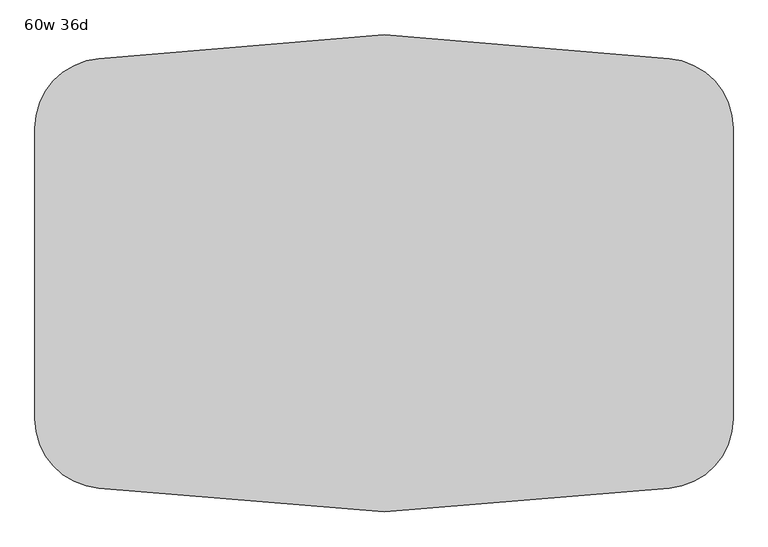
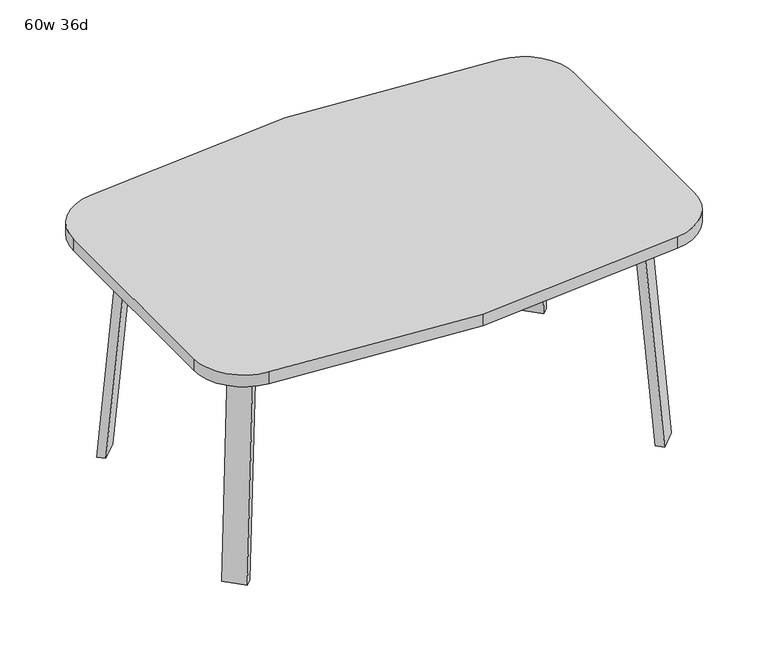
"""IFC4 building model written with IfcOpenShell, lengths in millimetres: furniture geometry, 60w 36d."""

import ifcopenshell
import ifcopenshell.guid

model = None  # the IFC model being written
_history = None  # IfcOwnerHistory: only IFC2X3 demands one
_inside = {}  # id of a spatial element -> (the spatial element, [elements in it])
_under = {}  # id of a project, library or spatial element -> (it, [spatial elements below it])
_declared = {}  # id of a project -> (the project, [libraries it declares])
_typed = {}  # id of a type object -> (the type object, [elements of that type])
_made_of = {}  # id of a material, layer set ... -> (it, [elements and type objects made of it])


def new_model(schema):
    """Start an empty IFC model of exactly this schema.

    Asked for "IFC4X3", IfcOpenShell would pick the latest addendum, in which some entities
    have other attributes; the version numbers below select the first issue.
    IFC2X3 requires an IfcOwnerHistory on every rooted entity: one is made here for all.
    """
    global model, _history
    if schema == "IFC4X3":
        model = ifcopenshell.file(schema_version=(4, 3, 0, 0))
    else:
        model = ifcopenshell.file(schema=schema)
    _inside.clear()
    _under.clear()
    _declared.clear()
    _typed.clear()
    _made_of.clear()
    _history = None
    if model.schema == "IFC2X3":
        org = make("IfcOrganization", Name="unknown")
        user = make(
            "IfcPersonAndOrganization",
            ThePerson=make("IfcPerson", FamilyName="unknown"),
            TheOrganization=org,
        )
        app = make(
            "IfcApplication",
            ApplicationDeveloper=org,
            Version="unknown",
            ApplicationFullName="unknown",
            ApplicationIdentifier="unknown",
        )
        _history = make(
            "IfcOwnerHistory",
            OwningUser=user,
            OwningApplication=app,
            ChangeAction="ADDED",
            CreationDate=0,
        )
    return model


def make(cls, **values):
    """One entity of the class cls with the attributes given. An attribute that is None is left unset."""
    return model.create_entity(
        cls, **{name: value for name, value in values.items() if value is not None}
    )


def rooted(cls, **values):
    """An entity with a GlobalId (a new one), such as an element, a storey or a relation."""
    return make(cls, GlobalId=ifcopenshell.guid.new(), OwnerHistory=_history, **values)


def si_unit(unit_type, name, prefix=None):
    """IfcSIUnit, for example si_unit("LENGTHUNIT", "METRE", prefix="MILLI")."""
    return make("IfcSIUnit", UnitType=unit_type, Prefix=prefix, Name=name)


def assignment(units):
    """IfcUnitAssignment: the units of a project."""
    return None if units is None else make("IfcUnitAssignment", Units=units)


def point(xyz):
    """IfcCartesianPoint."""
    return None if xyz is None else make("IfcCartesianPoint", Coordinates=xyz)


def direction(xyz):
    """IfcDirection."""
    return None if xyz is None else make("IfcDirection", DirectionRatios=xyz)


def frame(location, z_axis=None, x_axis=None):
    """IfcAxis2Placement3D, a coordinate frame: its origin and axes. An axis left out is left unset."""
    return make(
        "IfcAxis2Placement3D",
        Location=point(location),
        Axis=direction(z_axis),
        RefDirection=direction(x_axis),
    )


def frame_2d(location, x_axis=None):
    """IfcAxis2Placement2D, a coordinate frame in the plane: its origin and x axis."""
    return make(
        "IfcAxis2Placement2D", Location=point(location), RefDirection=direction(x_axis)
    )


def origin():
    """The frame at (0, 0, 0) with its axes left unset."""
    return frame((0.0, 0.0, 0.0))


def place(relative_to, where):
    """IfcLocalPlacement: puts the frame where relative to a parent placement (None: the world)."""
    return make(
        "IfcLocalPlacement", PlacementRelTo=relative_to, RelativePlacement=where
    )


def context(
    kind, dimensions, precision=None, world=None, true_north=None, identifier=None
):
    """IfcGeometricRepresentationContext, for example the 3D "Model" context."""
    return make(
        "IfcGeometricRepresentationContext",
        ContextIdentifier=identifier,
        ContextType=kind,
        CoordinateSpaceDimension=dimensions,
        Precision=precision,
        WorldCoordinateSystem=world,
        TrueNorth=true_north,
    )


def project(units=None, contexts=None):
    """IfcProject with its units and contexts."""
    return rooted(
        "IfcProject",
        Name="project",
        RepresentationContexts=contexts,
        UnitsInContext=assignment(units),
    )


def spatial(cls, under=None, at=None, **own):
    """A site, building, storey or space (cls), placed at a placement, below another one or the project."""
    s = rooted(cls, ObjectPlacement=at, **own)
    if under is not None:
        _under.setdefault(under.id(), (under, []))[1].append(s)
    return s


def polyline(points):
    """IfcPolyline through the points."""
    return make("IfcPolyline", Points=[point(p) for p in points])


def circle_curve(where, radius):
    """IfcCircle in the frame where."""
    return make("IfcCircle", Position=where, Radius=radius)


def trimmed(basis, trim1, trim2, sense, master):
    """IfcTrimmedCurve: the piece of a basis curve between two trims."""
    return make(
        "IfcTrimmedCurve",
        BasisCurve=basis,
        Trim1=trim1,
        Trim2=trim2,
        SenseAgreement=sense,
        MasterRepresentation=master,
    )


def segment(curve, same_sense, transition):
    """IfcCompositeCurveSegment."""
    return make(
        "IfcCompositeCurveSegment",
        Transition=transition,
        SameSense=same_sense,
        ParentCurve=curve,
    )


def composite_curve(segments, self_intersect=None):
    """IfcCompositeCurve: segments joined end to end."""
    return make("IfcCompositeCurve", Segments=segments, SelfIntersect=self_intersect)


def outline(outer, holes=None, kind="AREA"):
    """IfcArbitraryClosedProfileDef: a profile drawn as a closed curve; with holes, ...WithVoids."""
    if holes is None:
        return make("IfcArbitraryClosedProfileDef", ProfileType=kind, OuterCurve=outer)
    return make(
        "IfcArbitraryProfileDefWithVoids",
        ProfileType=kind,
        OuterCurve=outer,
        InnerCurves=holes,
    )


def extrude(swept, where, along, depth):
    """IfcExtrudedAreaSolid: the profile swept, set in the frame where, extruded along a direction by depth."""
    return make(
        "IfcExtrudedAreaSolid",
        SweptArea=swept,
        Position=where,
        ExtrudedDirection=direction(along),
        Depth=depth,
    )


def faces_of(points, faces, orient=None, outer=None):
    """IfcFace entities. A face is a list of loops; a loop is a list of indices into points, from 0.

    orient and outer hold one flag for each loop. By default every Orientation is true, the
    first loop of a face is its IfcFaceOuterBound and the others are IfcFaceBound.
    """
    made = []
    for i, loops in enumerate(faces):
        bounds = []
        for j, loop in enumerate(loops):
            is_outer = j == 0 if outer is None else outer[i][j]
            bounds.append(
                make(
                    "IfcFaceOuterBound" if is_outer else "IfcFaceBound",
                    Bound=make("IfcPolyLoop", Polygon=[points[k] for k in loop]),
                    Orientation=True if orient is None else orient[i][j],
                )
            )
        made.append(make("IfcFace", Bounds=bounds))
    return made


def faceted_brep(points, faces, orient=None, outer=None, voids=None):
    """IfcFacetedBrep: a solid bounded by flat faces; with voids (closed shells), ...WithVoids."""
    shared = [point(p) for p in points]
    hull = make("IfcClosedShell", CfsFaces=faces_of(shared, faces, orient, outer))
    if voids is None:
        return make("IfcFacetedBrep", Outer=hull)
    return make(
        "IfcFacetedBrepWithVoids",
        Outer=hull,
        Voids=[
            make(cls, CfsFaces=faces_of(shared, fs, o, b)) for cls, fs, o, b in voids
        ],
    )


def shape(context_of_items, identifier, shape_type, items):
    """IfcShapeRepresentation: the items that make up one representation, for example the "Body"."""
    return make(
        "IfcShapeRepresentation",
        ContextOfItems=context_of_items,
        RepresentationIdentifier=identifier,
        RepresentationType=shape_type,
        Items=items,
    )


def source(mapping_origin, context_of_items, identifier, shape_type, items):
    """IfcRepresentationMap: a shape defined once, which mapped items show again and again."""
    return make(
        "IfcRepresentationMap",
        MappingOrigin=mapping_origin,
        MappedRepresentation=shape(context_of_items, identifier, shape_type, items),
    )


def transform(
    local_origin,
    x_axis=None,
    y_axis=None,
    z_axis=None,
    scale=None,
    scale2=None,
    scale3=None,
    uniform=True,
):
    """IfcCartesianTransformationOperator3D, or its non-uniform kind. x_axis, y_axis, z_axis: its Axis1, 2, 3."""
    if uniform:
        return make(
            "IfcCartesianTransformationOperator3D",
            Axis1=direction(x_axis),
            Axis2=direction(y_axis),
            LocalOrigin=point(local_origin),
            Scale=scale,
            Axis3=direction(z_axis),
        )
    return make(
        "IfcCartesianTransformationOperator3DnonUniform",
        Axis1=direction(x_axis),
        Axis2=direction(y_axis),
        LocalOrigin=point(local_origin),
        Scale=scale,
        Axis3=direction(z_axis),
        Scale2=scale2,
        Scale3=scale3,
    )


def mapped(mapping_source, mapping_target):
    """IfcMappedItem: shows the shape of a source again, moved by a transform."""
    return make(
        "IfcMappedItem", MappingSource=mapping_source, MappingTarget=mapping_target
    )


def made_of(thing, what):
    """Note that an element or type object is made of a material, layer set ...; save() writes the relation."""
    if what is not None:
        _made_of.setdefault(what.id(), (what, []))[1].append(thing)
    return thing


def element(
    cls,
    number,
    at=None,
    inside=None,
    cuts=None,
    type_object=None,
    material=None,
    context=None,
    identifier="Body",
    shape_type=None,
    held_by="IfcProductDefinitionShape",
    body=None,
    shapes=None,
    **own,
):
    """One element of the class cls, such as IfcWall. Its Tag is "e" and its number.

    at: its placement. inside: the storey or other place that contains it. cuts: it is an
    opening in that element (IfcRelVoidsElement). A single representation is given by context,
    identifier, shape_type and body (its items); several are given by shapes. held_by: the class
    of the entity that holds the representations. save() writes the other relations.
    """
    e = rooted(cls, Tag="e%d" % number, ObjectPlacement=at, **own)
    if body is not None:
        shapes = [shape(context, identifier, shape_type, body)]
    if shapes is not None:
        e.Representation = make(held_by, Representations=shapes)
    if inside is not None:
        _inside.setdefault(inside.id(), (inside, []))[1].append(e)
    if cuts is not None:
        rooted(
            "IfcRelVoidsElement", RelatingBuildingElement=cuts, RelatedOpeningElement=e
        )
    if type_object is not None:
        _typed.setdefault(type_object.id(), (type_object, []))[1].append(e)
    return made_of(e, material)


def aggregate(whole, parts):
    """IfcRelAggregates: a whole, such as a stair, and the parts it consists of."""
    return rooted("IfcRelAggregates", RelatingObject=whole, RelatedObjects=parts)


def save(model, path):
    """Write the relations noted so far, then the file.

    IfcRelAggregates (storeys below a building ...), IfcRelContainedInSpatialStructure (elements
    in a storey), IfcRelDefinesByType, IfcRelAssociatesMaterial and IfcRelDeclares: one each for
    every whole, place, type object, material and project.
    """
    for whole, parts in _under.values():
        aggregate(whole, parts)
    for where, things in _inside.values():
        rooted(
            "IfcRelContainedInSpatialStructure",
            RelatedElements=things,
            RelatingStructure=where,
        )
    for kind, things in _typed.values():
        rooted("IfcRelDefinesByType", RelatedObjects=things, RelatingType=kind)
    for what, things in _made_of.values():
        rooted("IfcRelAssociatesMaterial", RelatedObjects=things, RelatingMaterial=what)
    for by, libraries in _declared.values():
        rooted("IfcRelDeclares", RelatingContext=by, RelatedDefinitions=libraries)
    model.write(path)


def furniture_60w_36d_6ef6b0ce(model_context):
    return source(origin(), model_context, "Body", "SolidModel", [
        faceted_brep([(453.8753042, -274.0920519, 695.325), (493.3884312, -234.578925, 695.325), (548.5047531, -289.6952469, 695.325), (541.8631053, -296.3368947, 695.325), (480.8160726, -301.0328203, 695.325), (601.1368947, -237.0631053, 695.325), (595.2020849, -242.9979151, 695.325), (540.085763, -187.8815931, 695.325), (579.5988899, -148.3684662, 695.325), (606.5396583, -175.3092346, 695.325), (453.8753042, -274.0920519, 698.5), (480.8160726, -301.0328203, 698.5), (541.8631053, -296.3368947, 698.5), (601.1368947, -237.0631053, 698.5), (606.5396583, -175.3092346, 698.5), (579.5988899, -148.3684662, 698.5), (548.5047531, -289.6952469, 673.1), (595.2020849, -242.9979151, 673.1), (503.6034725, -244.7939663, 673.1), (550.3008043, -198.0966345, 673.1)], [[[0, 1, 2, 3, 4]], [[5, 6, 7, 8, 9]], [[10, 11, 12, 13, 14, 15]], [[4, 11, 10, 0]], [[3, 12, 11, 4]], [[12, 3, 2, 16, 17, 6, 5, 13]], [[9, 14, 13, 5]], [[8, 15, 14, 9]], [[15, 8, 7, 1, 0, 10]], [[2, 1, 18, 16]], [[7, 6, 17, 19]], [[18, 19, 17, 16]], [[1, 7, 19, 18]]]),
        extrude(outline(composite_curve([segment(polyline([(-698.9257667, 0.0), (-704.4601563, 63.2583633), (-679.156811, 65.4721192), (-677.172355, 42.7896831)]), True, "CONTINUOUS"), segment(trimmed(circle_curve(frame_2d((-658.194846, 44.45)), 19.05), [point((-677.172355, 42.7896831))], [point((-658.194846, 25.4))], True, "CARTESIAN"), True, "CONTINUOUS"), segment(polyline([(-658.194846, 25.4), (0.0201778, 25.4), (2.2423899, 0.0), (-698.9257667, 0.0)]), True, "CONTINUOUS")], self_intersect=False)), frame((634.7792647, -379.3706733, 2.2338569), z_axis=(0.7071067811865512, 0.707106781186544, 0.0), x_axis=(0.06162841671622733, -0.06162841671621349, -0.9961946980917454)), (0.0, 0.0, 1.0), 69.85),
        faceted_brep([(453.8753042, 274.0920519, 695.325), (480.8160726, 301.0328203, 695.325), (541.8631053, 296.3368947, 695.325), (548.5047531, 289.6952469, 695.325), (493.3884312, 234.578925, 695.325), (601.1368947, 237.0631053, 695.325), (606.5396583, 175.3092346, 695.325), (579.5988899, 148.3684662, 695.325), (540.085763, 187.8815931, 695.325), (595.2020849, 242.9979151, 695.325), (453.8753042, 274.0920519, 698.5), (579.5988899, 148.3684662, 698.5), (606.5396583, 175.3092346, 698.5), (601.1368947, 237.0631053, 698.5), (541.8631053, 296.3368947, 698.5), (480.8160726, 301.0328203, 698.5), (595.2020849, 242.9979151, 673.1), (548.5047531, 289.6952469, 673.1), (503.6034725, 244.7939663, 673.1), (550.3008043, 198.0966345, 673.1)], [[[0, 1, 2, 3, 4]], [[5, 6, 7, 8, 9]], [[10, 11, 12, 13, 14, 15]], [[1, 0, 10, 15]], [[2, 1, 15, 14]], [[14, 13, 5, 9, 16, 17, 3, 2]], [[6, 5, 13, 12]], [[7, 6, 12, 11]], [[11, 10, 0, 4, 8, 7]], [[3, 17, 18, 4]], [[8, 19, 16, 9]], [[18, 17, 16, 19]], [[4, 18, 19, 8]]]),
        extrude(outline(composite_curve([segment(polyline([(698.9257667, 0.0), (704.4601563, -63.2583633), (679.156811, -65.4721192), (677.172355, -42.7896831)]), True, "CONTINUOUS"), segment(trimmed(circle_curve(frame_2d((658.194846, -44.45)), 19.05), [point((677.172355, -42.7896831))], [point((658.194846, -25.4))], True, "CARTESIAN"), True, "CONTINUOUS"), segment(polyline([(658.194846, -25.4), (-0.0201778, -25.4), (-2.2423899, 0.0), (698.9257667, 0.0)]), True, "CONTINUOUS")], self_intersect=False)), frame((684.1706733, 329.9792647, 2.2338569), z_axis=(-0.7071067811865512, 0.707106781186544, 0.0), x_axis=(-0.06162841671622733, -0.06162841671621349, 0.9961946980917454)), (0.0, 0.0, 1.0), 69.85),
        faceted_brep([(-453.8753042, 274.0920519, 695.325), (-493.3884312, 234.578925, 695.325), (-548.5047531, 289.6952469, 695.325), (-541.8631053, 296.3368947, 695.325), (-480.8160726, 301.0328203, 695.325), (-601.1368947, 237.0631053, 695.325), (-595.2020849, 242.9979151, 695.325), (-540.085763, 187.8815931, 695.325), (-579.5988899, 148.3684662, 695.325), (-606.5396583, 175.3092346, 695.325), (-453.8753042, 274.0920519, 698.5), (-480.8160726, 301.0328203, 698.5), (-541.8631053, 296.3368947, 698.5), (-601.1368947, 237.0631053, 698.5), (-606.5396583, 175.3092346, 698.5), (-579.5988899, 148.3684662, 698.5), (-548.5047531, 289.6952469, 673.1), (-595.2020849, 242.9979151, 673.1), (-503.6034725, 244.7939663, 673.1), (-550.3008043, 198.0966345, 673.1)], [[[0, 1, 2, 3, 4]], [[5, 6, 7, 8, 9]], [[10, 11, 12, 13, 14, 15]], [[4, 11, 10, 0]], [[3, 12, 11, 4]], [[12, 3, 2, 16, 17, 6, 5, 13]], [[9, 14, 13, 5]], [[8, 15, 14, 9]], [[15, 8, 7, 1, 0, 10]], [[2, 1, 18, 16]], [[7, 6, 17, 19]], [[18, 19, 17, 16]], [[1, 7, 19, 18]]]),
        extrude(outline(composite_curve([segment(polyline([(698.9257667, 0.0), (-2.2423899, 0.0), (-0.0201778, 25.4), (658.194846, 25.4)]), True, "CONTINUOUS"), segment(trimmed(circle_curve(frame_2d((658.194846, 44.45)), 19.05), [point((658.194846, 25.4))], [point((677.172355, 42.7896831))], True, "CARTESIAN"), True, "CONTINUOUS"), segment(polyline([(677.172355, 42.7896831), (679.156811, 65.4721192), (704.4601563, 63.2583633), (698.9257667, 0.0)]), True, "CONTINUOUS")], self_intersect=False)), frame((-684.1706733, 329.9792647, 2.2338569), z_axis=(0.7071067811865512, 0.707106781186544, 0.0), x_axis=(0.06162841671622733, -0.06162841671621349, 0.9961946980917454)), (0.0, 0.0, 1.0), 69.85),
        faceted_brep([(-453.8753042, -274.0920519, 695.325), (-480.8160726, -301.0328203, 695.325), (-541.8631053, -296.3368947, 695.325), (-548.5047531, -289.6952469, 695.325), (-493.3884312, -234.578925, 695.325), (-601.1368947, -237.0631053, 695.325), (-606.5396583, -175.3092346, 695.325), (-579.5988899, -148.3684662, 695.325), (-540.085763, -187.8815931, 695.325), (-595.2020849, -242.9979151, 695.325), (-453.8753042, -274.0920519, 698.5), (-579.5988899, -148.3684662, 698.5), (-606.5396583, -175.3092346, 698.5), (-601.1368947, -237.0631053, 698.5), (-541.8631053, -296.3368947, 698.5), (-480.8160726, -301.0328203, 698.5), (-595.2020849, -242.9979151, 673.1), (-548.5047531, -289.6952469, 673.1), (-503.6034725, -244.7939663, 673.1), (-550.3008043, -198.0966345, 673.1)], [[[0, 1, 2, 3, 4]], [[5, 6, 7, 8, 9]], [[10, 11, 12, 13, 14, 15]], [[1, 0, 10, 15]], [[2, 1, 15, 14]], [[14, 13, 5, 9, 16, 17, 3, 2]], [[6, 5, 13, 12]], [[7, 6, 12, 11]], [[11, 10, 0, 4, 8, 7]], [[3, 17, 18, 4]], [[8, 19, 16, 9]], [[18, 17, 16, 19]], [[4, 18, 19, 8]]]),
        extrude(outline(composite_curve([segment(polyline([(-698.9257667, 0.0), (2.2423899, 0.0), (0.0201778, -25.4), (-658.194846, -25.4)]), True, "CONTINUOUS"), segment(trimmed(circle_curve(frame_2d((-658.194846, -44.45)), 19.05), [point((-658.194846, -25.4))], [point((-677.172355, -42.7896831))], True, "CARTESIAN"), True, "CONTINUOUS"), segment(polyline([(-677.172355, -42.7896831), (-679.156811, -65.4721192), (-704.4601563, -63.2583633), (-698.9257667, 0.0)]), True, "CONTINUOUS")], self_intersect=False)), frame((-634.7792647, -379.3706733, 2.2338569), z_axis=(-0.7071067811865512, 0.707106781186544, 0.0), x_axis=(-0.06162841671622733, -0.06162841671621349, -0.9961946980917454)), (0.0, 0.0, 1.0), 69.85),
        extrude(outline(composite_curve([segment(trimmed(circle_curve(frame_2d((-609.6, 316.9717488)), 152.4), [point((-762.0, 316.9717488))], [point((-622.2561311, 468.8453224))], False, "CARTESIAN"), True, "CONTINUOUS"), segment(polyline([(-622.2561311, 468.8453224), (0.0, 520.7), (622.2561311, 468.8453224)]), True, "CONTINUOUS"), segment(trimmed(circle_curve(frame_2d((609.6, 316.9717488)), 152.4), [point((622.2561311, 468.8453224))], [point((762.0, 316.9717488))], False, "CARTESIAN"), True, "CONTINUOUS"), segment(polyline([(762.0, 316.9717488), (762.0, -316.9717488)]), True, "CONTINUOUS"), segment(trimmed(circle_curve(frame_2d((609.6, -316.9717488)), 152.4), [point((762.0, -316.9717488))], [point((622.2561311, -468.8453224))], False, "CARTESIAN"), True, "CONTINUOUS"), segment(polyline([(622.2561311, -468.8453224), (0.0, -520.7), (-622.2561311, -468.8453224)]), True, "CONTINUOUS"), segment(trimmed(circle_curve(frame_2d((-609.6, -316.9717488)), 152.4), [point((-622.2561311, -468.8453224))], [point((-762.0, -316.9717488))], False, "CARTESIAN"), True, "CONTINUOUS"), segment(polyline([(-762.0, -316.9717488), (-762.0, 316.9717488)]), True, "CONTINUOUS")], self_intersect=False)), frame((0.0, 0.0, 698.5), z_axis=(0.0, 0.0, 1.0), x_axis=(1.0, 0.0, 0.0)), (0.0, 0.0, 1.0), 38.1),
    ])


if __name__ == "__main__":
    model = new_model("IFC4")
    model_context = context("Model", 3, world=origin())
    ifc_project = project(units=[si_unit("LENGTHUNIT", "METRE", prefix="MILLI")], contexts=[model_context])
    site = spatial("IfcSite", under=ifc_project)
    building = spatial("IfcBuilding", under=site)
    placement = place(None, origin())
    furniture_60w_36d_shape = furniture_60w_36d_6ef6b0ce(model_context)
    element("IfcFurniture", 1, ObjectType="60w 36d", at=placement, inside=building, context=model_context, shape_type="MappedRepresentation", body=[
        mapped(furniture_60w_36d_shape, transform((0.0, 0.0, 0.0), x_axis=(1.0, 0.0, 0.0), y_axis=(0.0, 1.0, 0.0), z_axis=(0.0, 0.0, 1.0))),
    ])
    save(model, "model.ifc")
